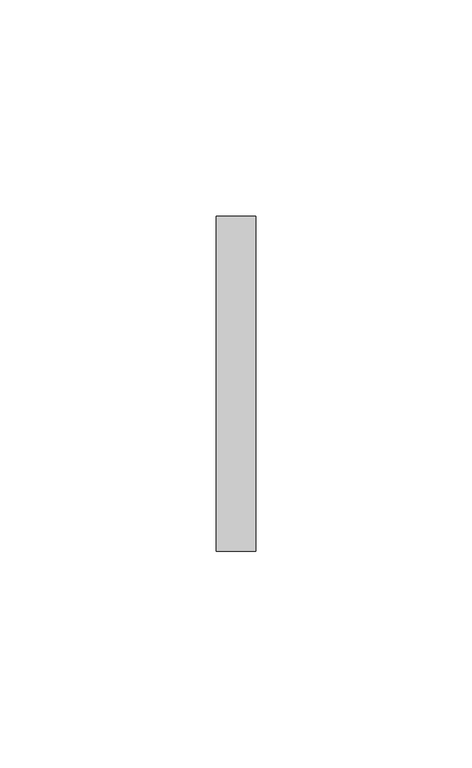
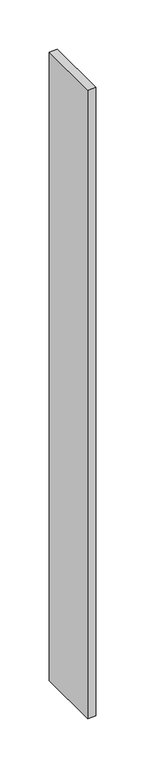
"""IFC4 building model written with IfcOpenShell, lengths in millimetres: furniture geometry."""

import ifcopenshell
import ifcopenshell.guid

model = None  # the IFC model being written
_history = None  # IfcOwnerHistory: only IFC2X3 demands one
_inside = {}  # id of a spatial element -> (the spatial element, [elements in it])
_under = {}  # id of a project, library or spatial element -> (it, [spatial elements below it])
_declared = {}  # id of a project -> (the project, [libraries it declares])
_typed = {}  # id of a type object -> (the type object, [elements of that type])
_made_of = {}  # id of a material, layer set ... -> (it, [elements and type objects made of it])


def new_model(schema):
    """Start an empty IFC model of exactly this schema.

    Asked for "IFC4X3", IfcOpenShell would pick the latest addendum, in which some entities
    have other attributes; the version numbers below select the first issue.
    IFC2X3 requires an IfcOwnerHistory on every rooted entity: one is made here for all.
    """
    global model, _history
    if schema == "IFC4X3":
        model = ifcopenshell.file(schema_version=(4, 3, 0, 0))
    else:
        model = ifcopenshell.file(schema=schema)
    _inside.clear()
    _under.clear()
    _declared.clear()
    _typed.clear()
    _made_of.clear()
    _history = None
    if model.schema == "IFC2X3":
        org = make("IfcOrganization", Name="unknown")
        user = make(
            "IfcPersonAndOrganization",
            ThePerson=make("IfcPerson", FamilyName="unknown"),
            TheOrganization=org,
        )
        app = make(
            "IfcApplication",
            ApplicationDeveloper=org,
            Version="unknown",
            ApplicationFullName="unknown",
            ApplicationIdentifier="unknown",
        )
        _history = make(
            "IfcOwnerHistory",
            OwningUser=user,
            OwningApplication=app,
            ChangeAction="ADDED",
            CreationDate=0,
        )
    return model


def make(cls, **values):
    """One entity of the class cls with the attributes given. An attribute that is None is left unset."""
    return model.create_entity(
        cls, **{name: value for name, value in values.items() if value is not None}
    )


def rooted(cls, **values):
    """An entity with a GlobalId (a new one), such as an element, a storey or a relation."""
    return make(cls, GlobalId=ifcopenshell.guid.new(), OwnerHistory=_history, **values)


def si_unit(unit_type, name, prefix=None):
    """IfcSIUnit, for example si_unit("LENGTHUNIT", "METRE", prefix="MILLI")."""
    return make("IfcSIUnit", UnitType=unit_type, Prefix=prefix, Name=name)


def assignment(units):
    """IfcUnitAssignment: the units of a project."""
    return None if units is None else make("IfcUnitAssignment", Units=units)


def point(xyz):
    """IfcCartesianPoint."""
    return None if xyz is None else make("IfcCartesianPoint", Coordinates=xyz)


def direction(xyz):
    """IfcDirection."""
    return None if xyz is None else make("IfcDirection", DirectionRatios=xyz)


def frame(location, z_axis=None, x_axis=None):
    """IfcAxis2Placement3D, a coordinate frame: its origin and axes. An axis left out is left unset."""
    return make(
        "IfcAxis2Placement3D",
        Location=point(location),
        Axis=direction(z_axis),
        RefDirection=direction(x_axis),
    )


def origin():
    """The frame at (0, 0, 0) with its axes left unset."""
    return frame((0.0, 0.0, 0.0))


def place(relative_to, where):
    """IfcLocalPlacement: puts the frame where relative to a parent placement (None: the world)."""
    return make(
        "IfcLocalPlacement", PlacementRelTo=relative_to, RelativePlacement=where
    )


def context(
    kind, dimensions, precision=None, world=None, true_north=None, identifier=None
):
    """IfcGeometricRepresentationContext, for example the 3D "Model" context."""
    return make(
        "IfcGeometricRepresentationContext",
        ContextIdentifier=identifier,
        ContextType=kind,
        CoordinateSpaceDimension=dimensions,
        Precision=precision,
        WorldCoordinateSystem=world,
        TrueNorth=true_north,
    )


def project(units=None, contexts=None):
    """IfcProject with its units and contexts."""
    return rooted(
        "IfcProject",
        Name="project",
        RepresentationContexts=contexts,
        UnitsInContext=assignment(units),
    )


def spatial(cls, under=None, at=None, **own):
    """A site, building, storey or space (cls), placed at a placement, below another one or the project."""
    s = rooted(cls, ObjectPlacement=at, **own)
    if under is not None:
        _under.setdefault(under.id(), (under, []))[1].append(s)
    return s


def polyline(points):
    """IfcPolyline through the points."""
    return make("IfcPolyline", Points=[point(p) for p in points])


def outline(outer, holes=None, kind="AREA"):
    """IfcArbitraryClosedProfileDef: a profile drawn as a closed curve; with holes, ...WithVoids."""
    if holes is None:
        return make("IfcArbitraryClosedProfileDef", ProfileType=kind, OuterCurve=outer)
    return make(
        "IfcArbitraryProfileDefWithVoids",
        ProfileType=kind,
        OuterCurve=outer,
        InnerCurves=holes,
    )


def extrude(swept, where, along, depth):
    """IfcExtrudedAreaSolid: the profile swept, set in the frame where, extruded along a direction by depth."""
    return make(
        "IfcExtrudedAreaSolid",
        SweptArea=swept,
        Position=where,
        ExtrudedDirection=direction(along),
        Depth=depth,
    )


def shape(context_of_items, identifier, shape_type, items):
    """IfcShapeRepresentation: the items that make up one representation, for example the "Body"."""
    return make(
        "IfcShapeRepresentation",
        ContextOfItems=context_of_items,
        RepresentationIdentifier=identifier,
        RepresentationType=shape_type,
        Items=items,
    )


def source(mapping_origin, context_of_items, identifier, shape_type, items):
    """IfcRepresentationMap: a shape defined once, which mapped items show again and again."""
    return make(
        "IfcRepresentationMap",
        MappingOrigin=mapping_origin,
        MappedRepresentation=shape(context_of_items, identifier, shape_type, items),
    )


def transform(
    local_origin,
    x_axis=None,
    y_axis=None,
    z_axis=None,
    scale=None,
    scale2=None,
    scale3=None,
    uniform=True,
):
    """IfcCartesianTransformationOperator3D, or its non-uniform kind. x_axis, y_axis, z_axis: its Axis1, 2, 3."""
    if uniform:
        return make(
            "IfcCartesianTransformationOperator3D",
            Axis1=direction(x_axis),
            Axis2=direction(y_axis),
            LocalOrigin=point(local_origin),
            Scale=scale,
            Axis3=direction(z_axis),
        )
    return make(
        "IfcCartesianTransformationOperator3DnonUniform",
        Axis1=direction(x_axis),
        Axis2=direction(y_axis),
        LocalOrigin=point(local_origin),
        Scale=scale,
        Axis3=direction(z_axis),
        Scale2=scale2,
        Scale3=scale3,
    )


def mapped(mapping_source, mapping_target):
    """IfcMappedItem: shows the shape of a source again, moved by a transform."""
    return make(
        "IfcMappedItem", MappingSource=mapping_source, MappingTarget=mapping_target
    )


def made_of(thing, what):
    """Note that an element or type object is made of a material, layer set ...; save() writes the relation."""
    if what is not None:
        _made_of.setdefault(what.id(), (what, []))[1].append(thing)
    return thing


def element(
    cls,
    number,
    at=None,
    inside=None,
    cuts=None,
    type_object=None,
    material=None,
    context=None,
    identifier="Body",
    shape_type=None,
    held_by="IfcProductDefinitionShape",
    body=None,
    shapes=None,
    **own,
):
    """One element of the class cls, such as IfcWall. Its Tag is "e" and its number.

    at: its placement. inside: the storey or other place that contains it. cuts: it is an
    opening in that element (IfcRelVoidsElement). A single representation is given by context,
    identifier, shape_type and body (its items); several are given by shapes. held_by: the class
    of the entity that holds the representations. save() writes the other relations.
    """
    e = rooted(cls, Tag="e%d" % number, ObjectPlacement=at, **own)
    if body is not None:
        shapes = [shape(context, identifier, shape_type, body)]
    if shapes is not None:
        e.Representation = make(held_by, Representations=shapes)
    if inside is not None:
        _inside.setdefault(inside.id(), (inside, []))[1].append(e)
    if cuts is not None:
        rooted(
            "IfcRelVoidsElement", RelatingBuildingElement=cuts, RelatedOpeningElement=e
        )
    if type_object is not None:
        _typed.setdefault(type_object.id(), (type_object, []))[1].append(e)
    return made_of(e, material)


def aggregate(whole, parts):
    """IfcRelAggregates: a whole, such as a stair, and the parts it consists of."""
    return rooted("IfcRelAggregates", RelatingObject=whole, RelatedObjects=parts)


def save(model, path):
    """Write the relations noted so far, then the file.

    IfcRelAggregates (storeys below a building ...), IfcRelContainedInSpatialStructure (elements
    in a storey), IfcRelDefinesByType, IfcRelAssociatesMaterial and IfcRelDeclares: one each for
    every whole, place, type object, material and project.
    """
    for whole, parts in _under.values():
        aggregate(whole, parts)
    for where, things in _inside.values():
        rooted(
            "IfcRelContainedInSpatialStructure",
            RelatedElements=things,
            RelatingStructure=where,
        )
    for kind, things in _typed.values():
        rooted("IfcRelDefinesByType", RelatedObjects=things, RelatingType=kind)
    for what, things in _made_of.values():
        rooted("IfcRelAssociatesMaterial", RelatedObjects=things, RelatingMaterial=what)
    for by, libraries in _declared.values():
        rooted("IfcRelDeclares", RelatingContext=by, RelatedDefinitions=libraries)
    model.write(path)


def furniture_64934b3d(model_context):
    return source(origin(), model_context, "Body", "SweptSolid", [
        extrude(outline(polyline([(5.5434607, 38.6537944), (5.5434607, -38.8360494), (-3.5846643, -38.8360494), (-3.5846643, 38.6537944), (5.5434607, 38.6537944)])), frame((0.0, 0.0, 101.6), z_axis=(0.0, 0.0, 1.0), x_axis=(1.0, 0.0, 0.0)), (0.0, 0.0, 1.0), 776.351),
    ])


if __name__ == "__main__":
    model = new_model("IFC4")
    model_context = context("Model", 3, world=origin())
    ifc_project = project(units=[si_unit("LENGTHUNIT", "METRE", prefix="MILLI")], contexts=[model_context])
    site = spatial("IfcSite", under=ifc_project)
    building = spatial("IfcBuilding", under=site)
    placement = place(None, origin())
    furniture_shape = furniture_64934b3d(model_context)
    element("IfcFurniture", 1, at=placement, inside=building, context=model_context, shape_type="MappedRepresentation", body=[
        mapped(furniture_shape, transform((0.0, 0.0, 0.0), x_axis=(1.0, 0.0, 0.0), y_axis=(0.0, 1.0, 0.0), z_axis=(0.0, 0.0, 1.0))),
    ])
    save(model, "model.ifc")
